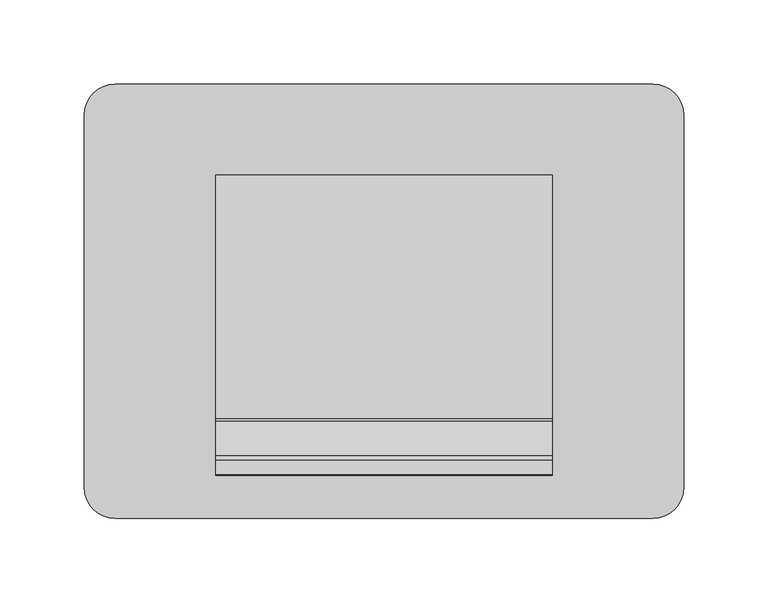
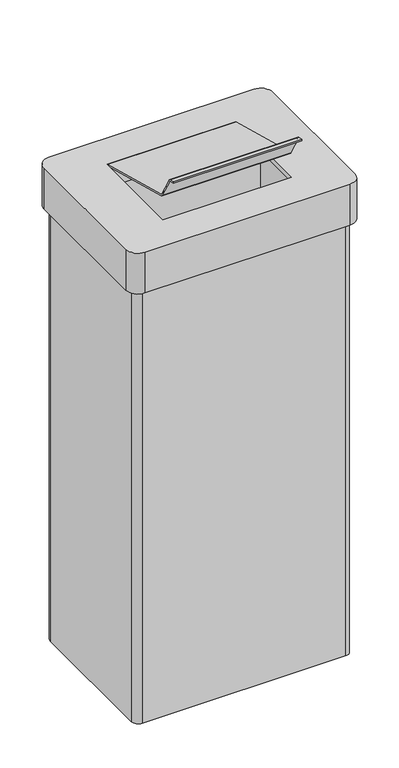
"""IFC4 building model written with IfcOpenShell, lengths in millimetres: furniture geometry."""

from ifc_helpers import new_model, si_unit, point, frame, frame_2d, origin, place, context, project, spatial, polyline, circle_curve, trimmed, segment, composite_curve, outline, extrude, source, transform, mapped, element, save
from ifc_brep_helpers import plane_surface, cylinder_surface, advanced_brep


def furniture_5dd33988(model_context):
    return source(origin(), model_context, "Body", "SolidModel", [
        advanced_brep(
        [(159.5, 129.0, 781.0), (-159.5, 129.0, 781.0), (-178.0, 110.5, 781.0), (-178.0, -110.5, 781.0), (-159.5, -129.0, 781.0), (159.5, -129.0, 781.0), (178.0, -110.5, 781.0), (178.0, 110.5, 781.0), (100.0, 75.0, 781.0), (100.0, -75.0, 781.0), (-100.0, -75.0, 781.0), (-100.0, 75.0, 781.0), (159.5, 110.5, 773.0), (159.5, -110.5, 773.0), (-159.5, -110.5, 773.0), (-159.5, 110.5, 773.0), (100.0, 75.0, 773.0), (-100.0, 75.0, 773.0), (-100.0, -75.0, 773.0), (100.0, -75.0, 773.0), (159.5, 129.0, 714.0), (178.0, 110.5, 714.0), (178.0, -110.5, 714.0), (159.5, -129.0, 714.0), (-159.5, -129.0, 714.0), (-178.0, -110.5, 714.0), (-178.0, 110.5, 714.0), (-159.5, 129.0, 714.0), (159.5, 110.5, 714.0), (-159.5, 110.5, 714.0), (-159.5, -110.5, 714.0), (159.5, -110.5, 714.0)],
        [
            (0, 1),
            (1, 2, circle_curve(frame((-159.5, 110.5, 781.0), z_axis=(0.0, 0.0, 1.0), x_axis=(1.0, 0.0, 0.0)), 18.5)),
            (2, 3),
            (3, 4, circle_curve(frame((-159.5, -110.5, 781.0), z_axis=(0.0, 0.0, 1.0), x_axis=(1.0, 0.0, 0.0)), 18.5)),
            (4, 5),
            (5, 6, circle_curve(frame((159.5, -110.5, 781.0), z_axis=(0.0, 0.0, 1.0), x_axis=(1.0, 0.0, 0.0)), 18.5)),
            (6, 7),
            (7, 0, circle_curve(frame((159.5, 110.5, 781.0), z_axis=(0.0, 0.0, 1.0), x_axis=(1.0, 0.0, 0.0)), 18.5)),
            (8, 9),
            (9, 10),
            (10, 11),
            (11, 8),
            (12, 13),
            (13, 14),
            (14, 15),
            (15, 12),
            (16, 17),
            (17, 18),
            (18, 19),
            (19, 16),
            (20, 21, circle_curve(frame((159.5, 110.5, 714.0), z_axis=(0.0, 0.0, -1.0), x_axis=(1.0, 0.0, 0.0)), 18.5)),
            (21, 22),
            (22, 23, circle_curve(frame((159.5, -110.5, 714.0), z_axis=(0.0, 0.0, -1.0), x_axis=(1.0, 0.0, 0.0)), 18.5)),
            (23, 24),
            (24, 25, circle_curve(frame((-159.5, -110.5, 714.0), z_axis=(0.0, 0.0, -1.0), x_axis=(1.0, 0.0, 0.0)), 18.5)),
            (25, 26),
            (26, 27, circle_curve(frame((-159.5, 110.5, 714.0), z_axis=(0.0, 0.0, -1.0), x_axis=(1.0, 0.0, 0.0)), 18.5)),
            (27, 20),
            (28, 29),
            (29, 30),
            (30, 31),
            (31, 28),
            (0, 20),
            (27, 1),
            (26, 2),
            (25, 3),
            (24, 4),
            (23, 5),
            (22, 6),
            (21, 7),
            (31, 13),
            (12, 28),
            (30, 14),
            (29, 15),
            (8, 16),
            (19, 9),
            (18, 10),
            (17, 11),
        ],
        [
            plane_surface(frame((-159.5, 110.5, 781.0), z_axis=(0.0, 0.0, 1.0), x_axis=(-1.0, 0.0, 0.0))),
            plane_surface(frame((-159.5, 110.5, 773.0), z_axis=(0.0, 0.0, -1.0), x_axis=(1.0, 0.0, 0.0))),
            plane_surface(frame((-159.5, 129.0, 714.0), z_axis=(0.0, 0.0, -1.0), x_axis=(1.0, 0.0, 0.0))),
            plane_surface(frame((159.5, 129.0, 781.0), z_axis=(0.0, 1.0, 0.0), x_axis=(0.0, 0.0, -1.0))),
            cylinder_surface(frame((-159.5, 110.5, 714.0), z_axis=(0.0, 0.0, 1.0), x_axis=(1.0, 0.0, 0.0)), 18.5),
            plane_surface(frame((-178.0, 110.5, 781.0), z_axis=(-1.0, 0.0, 0.0), x_axis=(0.0, 0.0, -1.0))),
            cylinder_surface(frame((-159.5, -110.5, 714.0), z_axis=(0.0, 0.0, 1.0), x_axis=(1.0, 0.0, 0.0)), 18.5),
            plane_surface(frame((-159.5, -129.0, 781.0), z_axis=(0.0, -1.0, 0.0), x_axis=(0.0, 0.0, -1.0))),
            cylinder_surface(frame((159.5, -110.5, 714.0), z_axis=(0.0, 0.0, 1.0), x_axis=(1.0, 0.0, 0.0)), 18.5),
            plane_surface(frame((178.0, -110.5, 781.0), z_axis=(1.0, 0.0, 0.0), x_axis=(0.0, 0.0, -1.0))),
            cylinder_surface(frame((159.5, 110.5, 714.0), z_axis=(0.0, 0.0, 1.0), x_axis=(1.0, 0.0, 0.0)), 18.5),
            plane_surface(frame((159.5, 110.5, 781.0), z_axis=(-1.0, 0.0, 0.0), x_axis=(0.0, 0.0, -1.0))),
            plane_surface(frame((159.5, -110.5, 781.0), z_axis=(0.0, 1.0, 0.0), x_axis=(0.0, 0.0, -1.0))),
            plane_surface(frame((-159.5, -110.5, 781.0), z_axis=(1.0, 0.0, 0.0), x_axis=(0.0, 0.0, -1.0))),
            plane_surface(frame((-159.5, 110.5, 781.0), z_axis=(0.0, -1.0, 0.0), x_axis=(0.0, 0.0, -1.0))),
            plane_surface(frame((100.0, 75.0, 781.0), z_axis=(-1.0, 0.0, 0.0), x_axis=(0.0, 0.0, -1.0))),
            plane_surface(frame((100.0, -75.0, 781.0), z_axis=(0.0, 1.0, 0.0), x_axis=(0.0, 0.0, -1.0))),
            plane_surface(frame((-100.0, -75.0, 781.0), z_axis=(1.0, 0.0, 0.0), x_axis=(0.0, 0.0, -1.0))),
            plane_surface(frame((-100.0, 75.0, 781.0), z_axis=(0.0, -1.0, 0.0), x_axis=(0.0, 0.0, -1.0))),
        ],
        [
            (0, [[1, 2, 3, 4, 5, 6, 7, 8], [9, 10, 11, 12]]),
            (1, [[13, 14, 15, 16], [17, 18, 19, 20]]),
            (2, [[21, 22, 23, 24, 25, 26, 27, 28], [29, 30, 31, 32]]),
            (3, [[-1, 33, -28, 34]]),
            (4, [[-2, -34, -27, 35]]),
            (5, [[-3, -35, -26, 36]]),
            (6, [[-4, -36, -25, 37]]),
            (7, [[-5, -37, -24, 38]]),
            (8, [[-6, -38, -23, 39]]),
            (9, [[-7, -39, -22, 40]]),
            (10, [[-8, -40, -21, -33]]),
            (11, [[-32, 41, -13, 42]]),
            (12, [[-31, 43, -14, -41]]),
            (13, [[-30, 44, -15, -43]]),
            (14, [[-29, -42, -16, -44]]),
            (15, [[-9, 45, -20, 46]]),
            (16, [[-10, -46, -19, 47]]),
            (17, [[-11, -47, -18, 48]]),
            (18, [[-12, -48, -17, -45]]),
        ],
    ),
        advanced_brep(
        [(159.5, -110.5, 8.0), (159.5, 110.5, 8.0), (-159.5, 110.5, 8.0), (-159.5, -110.5, 8.0), (158.25, 119.75, 0.0), (168.75, 109.25, 0.0), (168.75, -109.25, 0.0), (158.25, -119.75, 0.0), (-158.25, -119.75, 0.0), (-168.75, -109.25, 0.0), (-168.75, 109.25, 0.0), (-158.25, 119.75, 0.0), (158.25, 119.75, 714.0), (-158.25, 119.75, 714.0), (-168.75, 109.25, 714.0), (-168.75, -109.25, 714.0), (-158.25, -119.75, 714.0), (158.25, -119.75, 714.0), (168.75, -109.25, 714.0), (168.75, 109.25, 714.0), (159.5, 110.5, 714.0), (159.5, -110.5, 714.0), (-159.5, -110.5, 714.0), (-159.5, 110.5, 714.0)],
        [
            (0, 1),
            (1, 2),
            (2, 3),
            (3, 0),
            (4, 5, circle_curve(frame((158.25, 109.25, 0.0), z_axis=(0.0, 0.0, -1.0), x_axis=(1.0, 0.0, 0.0)), 10.5)),
            (5, 6),
            (6, 7, circle_curve(frame((158.25, -109.25, 0.0), z_axis=(0.0, 0.0, -1.0), x_axis=(1.0, 0.0, 0.0)), 10.5)),
            (7, 8),
            (8, 9, circle_curve(frame((-158.25, -109.25, 0.0), z_axis=(0.0, 0.0, -1.0), x_axis=(1.0, 0.0, 0.0)), 10.5)),
            (9, 10),
            (10, 11, circle_curve(frame((-158.25, 109.25, 0.0), z_axis=(0.0, 0.0, -1.0), x_axis=(1.0, 0.0, 0.0)), 10.5)),
            (11, 4),
            (12, 13),
            (13, 14, circle_curve(frame((-158.25, 109.25, 714.0), z_axis=(0.0, 0.0, 1.0), x_axis=(1.0, 0.0, 0.0)), 10.5)),
            (14, 15),
            (15, 16, circle_curve(frame((-158.25, -109.25, 714.0), z_axis=(0.0, 0.0, 1.0), x_axis=(1.0, 0.0, 0.0)), 10.5)),
            (16, 17),
            (17, 18, circle_curve(frame((158.25, -109.25, 714.0), z_axis=(0.0, 0.0, 1.0), x_axis=(1.0, 0.0, 0.0)), 10.5)),
            (18, 19),
            (19, 12, circle_curve(frame((158.25, 109.25, 714.0), z_axis=(0.0, 0.0, 1.0), x_axis=(1.0, 0.0, 0.0)), 10.5)),
            (20, 21),
            (21, 22),
            (22, 23),
            (23, 20),
            (20, 1),
            (0, 21),
            (3, 22),
            (2, 23),
            (12, 4),
            (11, 13),
            (10, 14),
            (9, 15),
            (8, 16),
            (7, 17),
            (6, 18),
            (5, 19),
        ],
        [
            plane_surface(frame((-159.5, 110.5, 8.0), z_axis=(0.0, 0.0, 1.0), x_axis=(-1.0, 0.0, 0.0))),
            plane_surface(frame((-159.5, 110.5, 0.0), z_axis=(0.0, 0.0, -1.0), x_axis=(1.0, 0.0, 0.0))),
            plane_surface(frame((159.5, 110.5, 714.0), z_axis=(0.0, 0.0, 1.0), x_axis=(0.0, -1.0, 0.0))),
            plane_surface(frame((159.5, 110.5, 714.0), z_axis=(-1.0, 0.0, 0.0), x_axis=(0.0, 0.0, -1.0))),
            plane_surface(frame((159.5, -110.5, 714.0), z_axis=(0.0, 1.0, 0.0), x_axis=(0.0, 0.0, -1.0))),
            plane_surface(frame((-159.5, -110.5, 714.0), z_axis=(1.0, 0.0, 0.0), x_axis=(0.0, 0.0, -1.0))),
            plane_surface(frame((-159.5, 110.5, 714.0), z_axis=(0.0, -1.0, 0.0), x_axis=(0.0, 0.0, -1.0))),
            plane_surface(frame((158.25, 119.75, 714.0), z_axis=(0.0, 1.0, 0.0), x_axis=(0.0, 0.0, -1.0))),
            cylinder_surface(frame((-158.25, 109.25, 0.0), z_axis=(0.0, 0.0, 1.0), x_axis=(1.0, 0.0, 0.0)), 10.5),
            plane_surface(frame((-168.75, 109.25, 714.0), z_axis=(-1.0, 0.0, 0.0), x_axis=(0.0, 0.0, -1.0))),
            cylinder_surface(frame((-158.25, -109.25, 0.0), z_axis=(0.0, 0.0, 1.0), x_axis=(1.0, 0.0, 0.0)), 10.5),
            plane_surface(frame((-158.25, -119.75, 714.0), z_axis=(0.0, -1.0, 0.0), x_axis=(0.0, 0.0, -1.0))),
            cylinder_surface(frame((158.25, -109.25, 0.0), z_axis=(0.0, 0.0, 1.0), x_axis=(1.0, 0.0, 0.0)), 10.5),
            plane_surface(frame((168.75, -109.25, 714.0), z_axis=(1.0, 0.0, 0.0), x_axis=(0.0, 0.0, -1.0))),
            cylinder_surface(frame((158.25, 109.25, 0.0), z_axis=(0.0, 0.0, 1.0), x_axis=(1.0, 0.0, 0.0)), 10.5),
        ],
        [
            (0, [[1, 2, 3, 4]]),
            (1, [[5, 6, 7, 8, 9, 10, 11, 12]]),
            (2, [[13, 14, 15, 16, 17, 18, 19, 20], [21, 22, 23, 24]]),
            (3, [[-21, 25, -1, 26]]),
            (4, [[-22, -26, -4, 27]]),
            (5, [[-23, -27, -3, 28]]),
            (6, [[-24, -28, -2, -25]]),
            (7, [[-13, 29, -12, 30]]),
            (8, [[-14, -30, -11, 31]]),
            (9, [[-15, -31, -10, 32]]),
            (10, [[-16, -32, -9, 33]]),
            (11, [[-17, -33, -8, 34]]),
            (12, [[-18, -34, -7, 35]]),
            (13, [[-19, -35, -6, 36]]),
            (14, [[-20, -36, -5, -29]]),
        ],
    ),
        extrude(outline(composite_curve([segment(polyline([(-69.8932292, 819.8240238), (75.0, 781.0), (74.4410999, 778.9141564), (-70.447774, 817.7370132)]), True, "CONTINUOUS"), segment(trimmed(circle_curve(frame_2d((-69.3271571, 821.9192126)), 4.3297315), [point((-70.447774, 817.7370132))], [point((-73.0745578, 819.7504429))], False, "CARTESIAN"), True, "CONTINUOUS"), segment(polyline([(-73.0745578, 819.7504429), (-93.3981137, 854.9518742)]), True, "CONTINUOUS"), segment(trimmed(circle_curve(frame_2d((-95.2682278, 853.8721633)), 2.1594218), [point((-93.3981137, 854.9518742))], [point((-94.5473475, 855.907706))], True, "CARTESIAN"), True, "CONTINUOUS"), segment(polyline([(-94.5473475, 855.907706), (-103.3712563, 858.2758396), (-102.8115764, 860.3645934), (-94.1504288, 858.0438459)]), True, "CONTINUOUS"), segment(trimmed(circle_curve(frame_2d((-95.2682278, 853.8721633)), 4.3188436), [point((-94.1504288, 858.0438459))], [point((-91.5279995, 856.0315851))], False, "CARTESIAN"), True, "CONTINUOUS"), segment(polyline([(-91.5279995, 856.0315851), (-71.2044439, 820.8301541)]), True, "CONTINUOUS"), segment(trimmed(circle_curve(frame_2d((-69.3343297, 821.909865)), 2.1594218), [point((-71.2044439, 820.8301541))], [point((-69.8932292, 819.8240238))], True, "CARTESIAN"), True, "CONTINUOUS")], self_intersect=False)), frame((-100.0, 0.0, 0.0), z_axis=(1.0, 0.0, 0.0), x_axis=(0.0, 1.0, 0.0)), (0.0, 0.0, 1.0), 200.0),
    ])


if __name__ == "__main__":
    model = new_model("IFC4")
    model_context = context("Model", 3, world=origin())
    ifc_project = project(units=[si_unit("LENGTHUNIT", "METRE", prefix="MILLI")], contexts=[model_context])
    site = spatial("IfcSite", under=ifc_project)
    building = spatial("IfcBuilding", under=site)
    placement = place(None, origin())
    furniture_shape = furniture_5dd33988(model_context)
    element("IfcFurniture", 1, at=placement, inside=building, context=model_context, shape_type="MappedRepresentation", body=[
        mapped(furniture_shape, transform((0.0, 0.0, 0.0), x_axis=(1.0, 0.0, 0.0), y_axis=(0.0, 1.0, 0.0), z_axis=(0.0, 0.0, 1.0))),
    ])
    save(model, "model.ifc")
